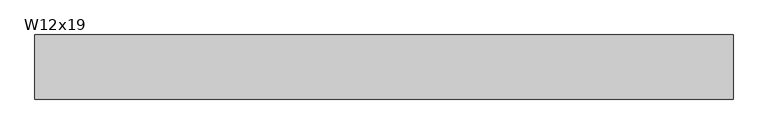
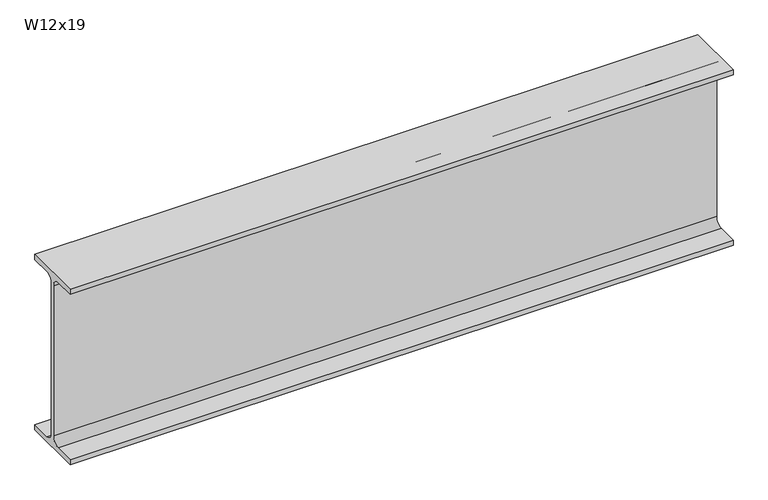
"""IFC4 building model written with IfcOpenShell, lengths in millimetres: beam geometry, W12x19."""

from ifc_helpers import new_model, si_unit, point, frame, frame_2d, origin, place, context, project, spatial, polyline, circle_curve, trimmed, segment, composite_curve, outline, extrude, source, transform, mapped, element, save


def w12x19_efa05671(model_context):
    return source(origin(), model_context, "Body", "SweptSolid", [
        extrude(outline(composite_curve([segment(polyline([(50.927, -146.05), (50.927, -154.94), (-50.927, -154.94), (-50.927, -146.05), (-16.3195, -146.05)]), True, "CONTINUOUS"), segment(trimmed(circle_curve(frame_2d((-16.3195, -132.715)), 13.335), [point((-16.3195, -146.05))], [point((-2.9845, -132.715))], True, "CARTESIAN"), True, "CONTINUOUS"), segment(polyline([(-2.9845, -132.715), (-2.9845, 132.715)]), True, "CONTINUOUS"), segment(trimmed(circle_curve(frame_2d((-16.3195, 132.715)), 13.335), [point((-2.9845, 132.715))], [point((-16.3195, 146.05))], True, "CARTESIAN"), True, "CONTINUOUS"), segment(polyline([(-16.3195, 146.05), (-50.927, 146.05), (-50.927, 154.94), (50.927, 154.94), (50.927, 146.05), (16.3195, 146.05)]), True, "CONTINUOUS"), segment(trimmed(circle_curve(frame_2d((16.3195, 132.715)), 13.335), [point((16.3195, 146.05))], [point((2.9845, 132.715))], True, "CARTESIAN"), True, "CONTINUOUS"), segment(polyline([(2.9845, 132.715), (2.9845, -132.715)]), True, "CONTINUOUS"), segment(trimmed(circle_curve(frame_2d((16.3195, -132.715)), 13.335), [point((2.9845, -132.715))], [point((16.3195, -146.05))], True, "CARTESIAN"), True, "CONTINUOUS"), segment(polyline([(16.3195, -146.05), (50.927, -146.05)]), True, "CONTINUOUS")], self_intersect=False)), frame((-567.1464792, 0.0, 0.0), z_axis=(1.0, 0.0, 0.0), x_axis=(0.0, 1.0, 0.0)), (0.0, 0.0, 1.0), 1109.0204194),
    ])


if __name__ == "__main__":
    model = new_model("IFC4")
    model_context = context("Model", 3, world=origin())
    ifc_project = project(units=[si_unit("LENGTHUNIT", "METRE", prefix="MILLI")], contexts=[model_context])
    site = spatial("IfcSite", under=ifc_project)
    building = spatial("IfcBuilding", under=site)
    placement = place(None, origin())
    w12x19_shape = w12x19_efa05671(model_context)
    element("IfcBeam", 1, ObjectType="W12x19", at=placement, inside=building, context=model_context, shape_type="MappedRepresentation", body=[
        mapped(w12x19_shape, transform((0.0, 0.0, 0.0), x_axis=(1.0, 0.0, 0.0), y_axis=(0.0, 1.0, 0.0), z_axis=(0.0, 0.0, 1.0))),
    ])
    save(model, "model.ifc")
